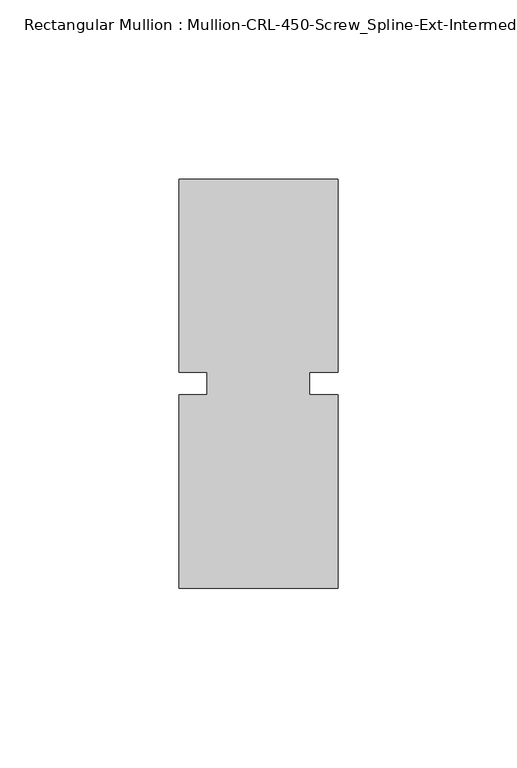
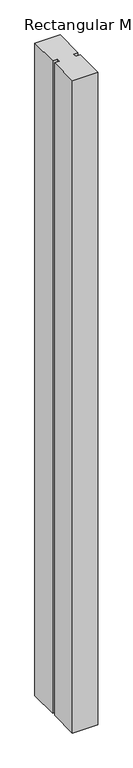
"""IFC4 building model written with IfcOpenShell, lengths in millimetres: member geometry, Rectangular Mullion : Mullion-CRL-450-Screw_Spline-Ext-Intermediate_Horizontal."""

from ifc_helpers import new_model, si_unit, frame, origin, place, context, project, spatial, polyline, outline, extrude, source, transform, mapped, element, save


def rectangular_mullion_mullion_crl_450_screw_spline_ext_0a4b2260(model_context):
    return source(origin(), model_context, "Body", "SweptSolid", [
        extrude(outline(polyline([(-22.2249304, -3.175), (-14.2747305, -3.175), (-14.2747305, 3.175), (-22.2249304, 3.175), (-22.2249304, 57.15), (22.2249304, 57.15), (22.2249304, 3.175), (14.2874304, 3.175), (14.2874304, -3.175), (22.2249304, -3.175), (22.2249304, -57.15), (-22.2249304, -57.15), (-22.2249304, -3.175)])), frame((0.0, 0.0, -1211.7916595), z_axis=(0.0, 0.0, 1.0), x_axis=(1.0, 0.0, 0.0)), (0.0, 0.0, 1.0), 1211.7916595),
    ])


if __name__ == "__main__":
    model = new_model("IFC4")
    model_context = context("Model", 3, world=origin())
    ifc_project = project(units=[si_unit("LENGTHUNIT", "METRE", prefix="MILLI")], contexts=[model_context])
    site = spatial("IfcSite", under=ifc_project)
    building = spatial("IfcBuilding", under=site)
    placement = place(None, origin())
    rectangular_mullion_mullion_crl_450_screw_spline_ext_shape = rectangular_mullion_mullion_crl_450_screw_spline_ext_0a4b2260(model_context)
    element("IfcMember", 1, ObjectType="Rectangular Mullion : Mullion-CRL-450-Screw_Spline-Ext-Intermediate_Horizontal", at=placement, inside=building, context=model_context, shape_type="MappedRepresentation", body=[
        mapped(rectangular_mullion_mullion_crl_450_screw_spline_ext_shape, transform((0.0, 0.0, 0.0), x_axis=(1.0, 0.0, 0.0), y_axis=(0.0, 1.0, 0.0), z_axis=(0.0, 0.0, 1.0))),
    ])
    save(model, "model.ifc")
